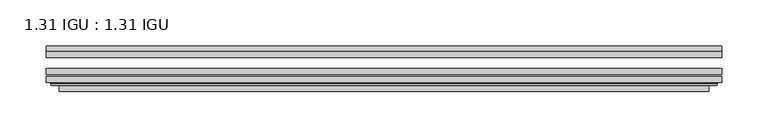
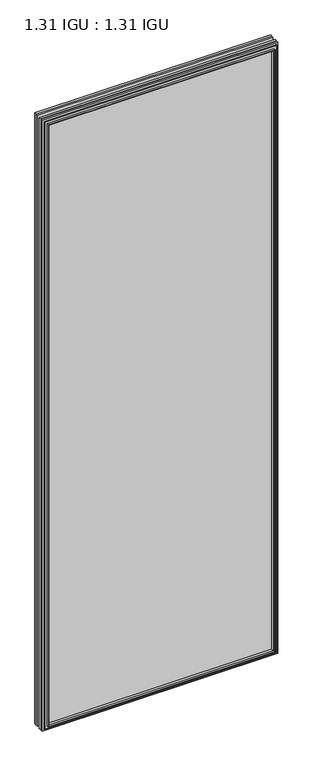
"""IFC4 building model written with IfcOpenShell, lengths in millimetres: plate geometry, 1.31 IGU : 1.31 IGU."""

from ifc_helpers import new_model, si_unit, frame, origin, place, context, project, spatial, polyline, ellipse_curve, outline, extrude, faceted_brep, source, transform, mapped, element, save
from ifc_brep_helpers import plane_surface, cylinder_surface, advanced_brep


def plate_1_31_igu_1_31_igu_cd7ae889(model_context):
    return source(origin(), model_context, "Body", "SolidModel", [
        extrude(outline(polyline([(366.7108, -66.4725937), (366.7108, -72.8225938), (-366.696625, -72.8225938), (-366.696625, -66.4725937), (366.7108, -66.4725937)])), frame((0.0, 0.0, -14.2875), z_axis=(0.0, 0.0, 1.0), x_axis=(1.0, 0.0, 0.0)), (0.0, 0.0, 1.0), 2009.7964726),
        extrude(outline(polyline([(-366.696625, -81.4585938), (-366.696625, -75.1080887), (366.7108, -75.1080887), (366.7108, -81.4585938), (-366.696625, -81.4585938)])), frame((0.0, 0.0, -14.2875), z_axis=(0.0, 0.0, 1.0), x_axis=(1.0, 0.0, 0.0)), (0.0, 0.0, 1.0), 2009.7964726),
        extrude(outline(polyline([(366.7108, -48.1337937), (366.7108, -54.4837938), (-366.696625, -54.4837938), (-366.696625, -48.1337937), (366.7108, -48.1337937)])), frame((0.0, 0.0, -14.2875), z_axis=(0.0, 0.0, 1.0), x_axis=(1.0, 0.0, 0.0)), (0.0, 0.0, 1.0), 2009.7964726),
        faceted_brep([(-352.4038152, -41.7837938, 1981.2123649), (-351.5113809, -48.1337937, 1980.3199306), (-351.5113809, -48.1337937, 0.8977441), (-352.4038152, -41.7837938, 0.0053098), (-366.709325, -48.1337937, 1995.5178747), (-366.709325, -41.7837938, 1995.5178747), (-366.709325, -41.7837938, -14.3002), (-366.709325, -48.1337937, -14.3002), (351.5113809, -48.1337937, 0.8977441), (352.4038152, -41.7837938, 0.0053098), (366.709325, -41.7837938, -14.3002), (366.709325, -48.1337937, -14.3002), (351.5113809, -48.1337937, 1980.3199306), (352.4038152, -41.7837938, 1981.2123649), (366.709325, -41.7837938, 1995.5178747), (366.709325, -48.1337937, 1995.5178747)], [[[0, 1, 2, 3]], [[4, 5, 6, 7]], [[3, 2, 8, 9]], [[7, 6, 10, 11]], [[9, 8, 12, 13]], [[11, 10, 14, 15]], [[7, 11, 15, 4], [1, 12, 8, 2]], [[13, 12, 1, 0]], [[5, 14, 10, 6], [3, 9, 13, 0]], [[15, 14, 5, 4]]]),
        advanced_brep(
        [(-360.8077599, -84.6335938, 1989.6163096), (-361.8095494, -83.4482604, 1990.6180991), (-361.8095494, -83.4482604, -9.4004244), (-360.8077599, -84.6335938, -8.3986349), (-352.4037034, -91.0948368, 1981.2122532), (-352.4037034, -84.6335938, 1981.2122532), (-352.4037034, -84.6335938, 0.0054216), (-352.4037034, -91.0948368, 0.0054216), (-351.4130467, -90.6958619, 1980.2215964), (-351.4130467, -90.6958619, 0.9960783), (-350.3810189, -85.2986307, 1979.1895686), (-350.3810189, -85.2986307, 2.0281061), (-345.4461871, -81.4585938, 1974.2547368), (-345.4461871, -81.4585938, 6.9629379), (-359.455344, -81.4585938, 1988.2638938), (-359.455344, -81.4585938, -7.046219), (361.8095494, -83.4482604, -9.4004244), (360.8077599, -84.6335938, -8.3986349), (352.4037034, -84.6335938, 0.0054216), (352.4037034, -91.0948368, 0.0054216), (351.4130467, -90.6958619, 0.9960783), (350.3810189, -85.2986307, 2.0281061), (345.4461871, -81.4585938, 6.9629379), (359.455344, -81.4585938, -7.046219), (361.8095494, -83.4482604, 1990.6180991), (360.8077599, -84.6335938, 1989.6163096), (352.4037034, -84.6335938, 1981.2122532), (352.4037034, -91.0948368, 1981.2122532), (351.4130467, -90.6958619, 1980.2215964), (350.3810189, -85.2986307, 1979.1895686), (345.4461871, -81.4585938, 1974.2547368), (359.455344, -81.4585938, 1988.2638938)],
        [
            (0, 1, ellipse_curve(frame((-360.8077599, -83.6175938, 1989.6163096), z_axis=(-0.7071067811865475, 0.0, -0.7071067811865475), x_axis=(-0.7071067811865474, 0.0, 0.7071067811865476)), 1.436841, 1.016)),
            (1, 2),
            (2, 3, ellipse_curve(frame((-360.8077599, -83.6175938, -8.3986349), z_axis=(-0.7071067811865475, 0.0, 0.7071067811865475), x_axis=(0.7071067811865474, 0.0, 0.7071067811865476)), 1.436841, 1.016)),
            (3, 0),
            (4, 5),
            (5, 6),
            (6, 7),
            (7, 4),
            (8, 4, ellipse_curve(frame((-352.0367469, -90.5766015, 1980.8452966), z_axis=(-0.7071067811865475, 0.0, -0.7071067811865475), x_axis=(-0.7071067811865474, 0.0, 0.7071067811865476)), 0.8980256, 0.635)),
            (7, 9, ellipse_curve(frame((-352.0367469, -90.5766015, 0.3723781), z_axis=(-0.7071067811865475, 0.0, 0.7071067811865475), x_axis=(0.7071067811865474, 0.0, 0.7071067811865476)), 0.8980256, 0.635)),
            (9, 8),
            (10, 8),
            (9, 11),
            (11, 10),
            (12, 10),
            (11, 13),
            (13, 12),
            (1, 14, ellipse_curve(frame((-359.455344, -83.8461938, 1988.2638938), z_axis=(-0.7071067811865475, 0.0, -0.7071067811865475), x_axis=(-0.7071067811865474, 0.0, 0.7071067811865476)), 3.3765763, 2.3876)),
            (14, 15),
            (15, 2, ellipse_curve(frame((-359.455344, -83.8461938, -7.046219), z_axis=(-0.7071067811865475, 0.0, 0.7071067811865475), x_axis=(0.7071067811865474, 0.0, 0.7071067811865476)), 3.3765763, 2.3876)),
            (2, 16),
            (16, 17, ellipse_curve(frame((360.8077599, -83.6175938, -8.3986349), z_axis=(-0.7071067811865475, 0.0, -0.7071067811865475), x_axis=(-0.7071067811865476, 0.0, 0.7071067811865474)), 1.436841, 1.016)),
            (17, 3),
            (6, 18),
            (18, 19),
            (19, 7),
            (19, 20, ellipse_curve(frame((352.0367469, -90.5766015, 0.3723781), z_axis=(-0.7071067811865475, 0.0, -0.7071067811865475), x_axis=(-0.7071067811865476, 0.0, 0.7071067811865474)), 0.8980256, 0.635)),
            (20, 9),
            (20, 21),
            (21, 11),
            (21, 22),
            (22, 13),
            (15, 23),
            (23, 16, ellipse_curve(frame((359.455344, -83.8461938, -7.046219), z_axis=(-0.7071067811865475, 0.0, -0.7071067811865475), x_axis=(-0.7071067811865476, 0.0, 0.7071067811865474)), 3.3765763, 2.3876)),
            (16, 24),
            (24, 25, ellipse_curve(frame((360.8077599, -83.6175938, 1989.6163096), z_axis=(0.7071067811865475, 0.0, -0.7071067811865475), x_axis=(-0.7071067811865474, 0.0, -0.7071067811865476)), 1.436841, 1.016)),
            (25, 17),
            (18, 26),
            (26, 27),
            (27, 19),
            (27, 28, ellipse_curve(frame((352.0367469, -90.5766015, 1980.8452966), z_axis=(0.7071067811865475, 0.0, -0.7071067811865475), x_axis=(-0.7071067811865474, 0.0, -0.7071067811865476)), 0.8980256, 0.635)),
            (28, 20),
            (28, 29),
            (29, 21),
            (29, 30),
            (30, 22),
            (23, 31),
            (31, 24, ellipse_curve(frame((359.455344, -83.8461938, 1988.2638938), z_axis=(0.7071067811865475, 0.0, -0.7071067811865475), x_axis=(-0.7071067811865474, 0.0, -0.7071067811865476)), 3.3765763, 2.3876)),
            (24, 1),
            (0, 25),
            (5, 26),
            (4, 27),
            (8, 28),
            (10, 29),
            (12, 30),
            (14, 31),
        ],
        [
            cylinder_surface(frame((-360.8077599, -83.6175938, 2012.9676747), z_axis=(0.0, 0.0, 1.0), x_axis=(-1.0, 0.0, 0.0)), 1.016),
            plane_surface(frame((-352.4037034, -84.6335938, 1981.2122532), z_axis=(-1.0, 0.0, 0.0), x_axis=(0.0, 0.0, -1.0))),
            cylinder_surface(frame((-352.0367469, -90.5766015, 2012.9676747), z_axis=(0.0, 0.0, 1.0), x_axis=(-1.0, 0.0, 0.0)), 0.635),
            plane_surface(frame((-351.4130467, -90.6958619, 1980.2215964), z_axis=(0.9822050625507717, -0.1878116479338675, 0.0), x_axis=(0.0, 0.0, -1.0))),
            plane_surface(frame((-350.3810189, -85.2986307, 1979.1895686), z_axis=(0.6141233906514726, -0.7892100234124875, 0.0), x_axis=(0.0, 0.0, -1.0))),
            cylinder_surface(frame((-359.455344, -83.8461938, 2012.9676747), z_axis=(0.0, 0.0, 1.0), x_axis=(-1.0, 0.0, 0.0)), 2.3876),
            cylinder_surface(frame((-384.159125, -83.6175938, -8.3986349), z_axis=(-1.0, 0.0, 0.0), x_axis=(0.0, 0.0, -1.0)), 1.016),
            plane_surface(frame((-352.4037034, -84.6335938, 0.0054216), z_axis=(0.0, 0.0, -1.0), x_axis=(1.0, 0.0, 0.0))),
            cylinder_surface(frame((-384.159125, -90.5766015, 0.3723781), z_axis=(-1.0, 0.0, 0.0), x_axis=(0.0, 0.0, -1.0)), 0.635),
            plane_surface(frame((-351.4130467, -90.6958619, 0.9960783), z_axis=(0.0, -0.18781164793386435, 0.9822050625507722), x_axis=(1.0, 0.0, 0.0))),
            plane_surface(frame((-350.3810189, -85.2986307, 2.0281061), z_axis=(0.0, -0.7892100234124855, 0.6141233906514751), x_axis=(1.0, 0.0, 0.0))),
            cylinder_surface(frame((-384.159125, -83.8461938, -7.046219), z_axis=(-1.0, 0.0, 0.0), x_axis=(0.0, 0.0, -1.0)), 2.3876),
            cylinder_surface(frame((360.8077599, -83.6175938, -31.75), z_axis=(0.0, 0.0, -1.0), x_axis=(1.0, 0.0, 0.0)), 1.016),
            plane_surface(frame((352.4037034, -84.6335938, 0.0054216), z_axis=(1.0, 0.0, 0.0), x_axis=(0.0, 0.0, 1.0))),
            cylinder_surface(frame((352.0367469, -90.5766015, -31.75), z_axis=(0.0, 0.0, -1.0), x_axis=(1.0, 0.0, 0.0)), 0.635),
            plane_surface(frame((351.4130467, -90.6958619, 0.9960783), z_axis=(-0.9822050625507728, -0.18781164793386118, 0.0), x_axis=(0.0, 0.0, 1.0))),
            plane_surface(frame((350.3810189, -85.2986307, 2.0281061), z_axis=(-0.6141233906514777, -0.7892100234124835, 0.0), x_axis=(0.0, 0.0, 1.0))),
            cylinder_surface(frame((359.455344, -83.8461938, -31.75), z_axis=(0.0, 0.0, -1.0), x_axis=(1.0, 0.0, 0.0)), 2.3876),
            cylinder_surface(frame((384.159125, -83.6175938, 1989.6163096), z_axis=(1.0, 0.0, 0.0), x_axis=(0.0, 0.0, 1.0)), 1.016),
            plane_surface(frame((360.8077599, -84.6335938, 1989.6163096), z_axis=(0.0, -1.0, 0.0), x_axis=(-1.0, 0.0, 0.0))),
            plane_surface(frame((352.4037034, -84.6335938, 1981.2122532), z_axis=(0.0, 0.0, 1.0), x_axis=(-1.0, 0.0, 0.0))),
            cylinder_surface(frame((384.159125, -90.5766015, 1980.8452966), z_axis=(1.0, 0.0, 0.0), x_axis=(0.0, 0.0, 1.0)), 0.635),
            plane_surface(frame((351.4130467, -90.6958619, 1980.2215964), z_axis=(0.0, -0.18781164793386435, -0.9822050625507722), x_axis=(-1.0, 0.0, 0.0))),
            plane_surface(frame((350.3810189, -85.2986307, 1979.1895686), z_axis=(0.0, -0.7892100234124855, -0.6141233906514751), x_axis=(-1.0, 0.0, 0.0))),
            plane_surface(frame((345.4461871, -81.4585938, 1974.2547368), z_axis=(0.0, 1.0, 0.0), x_axis=(-1.0, 0.0, 0.0))),
            cylinder_surface(frame((384.159125, -83.8461938, 1988.2638938), z_axis=(1.0, 0.0, 0.0), x_axis=(0.0, 0.0, 1.0)), 2.3876),
        ],
        [
            (0, [[1, 2, 3, 4]]),
            (1, [[5, 6, 7, 8]]),
            (2, [[9, -8, 10, 11]]),
            (3, [[12, -11, 13, 14]]),
            (4, [[15, -14, 16, 17]]),
            (5, [[18, 19, 20, -2]]),
            (6, [[-3, 21, 22, 23]]),
            (7, [[-7, 24, 25, 26]]),
            (8, [[-10, -26, 27, 28]]),
            (9, [[-13, -28, 29, 30]]),
            (10, [[-16, -30, 31, 32]]),
            (11, [[-20, 33, 34, -21]]),
            (12, [[-22, 35, 36, 37]]),
            (13, [[-25, 38, 39, 40]]),
            (14, [[-27, -40, 41, 42]]),
            (15, [[-29, -42, 43, 44]]),
            (16, [[-31, -44, 45, 46]]),
            (17, [[-34, 47, 48, -35]]),
            (18, [[-36, 49, -1, 50]]),
            (19, [[-23, -37, -50, -4], [51, -38, -24, -6]]),
            (20, [[-39, -51, -5, 52]]),
            (21, [[-41, -52, -9, 53]]),
            (22, [[-43, -53, -12, 54]]),
            (23, [[-45, -54, -15, 55]]),
            (24, [[56, -47, -33, -19], [-32, -46, -55, -17]]),
            (25, [[-48, -56, -18, -49]]),
        ],
    ),
    ])


if __name__ == "__main__":
    model = new_model("IFC4")
    model_context = context("Model", 3, world=origin())
    ifc_project = project(units=[si_unit("LENGTHUNIT", "METRE", prefix="MILLI")], contexts=[model_context])
    site = spatial("IfcSite", under=ifc_project)
    building = spatial("IfcBuilding", under=site)
    placement = place(None, origin())
    plate_1_31_igu_1_31_igu_shape = plate_1_31_igu_1_31_igu_cd7ae889(model_context)
    element("IfcPlate", 1, ObjectType="1.31 IGU : 1.31 IGU", at=placement, inside=building, context=model_context, shape_type="MappedRepresentation", body=[
        mapped(plate_1_31_igu_1_31_igu_shape, transform((0.0, 0.0, 0.0), x_axis=(1.0, 0.0, 0.0), y_axis=(0.0, 1.0, 0.0), z_axis=(0.0, 0.0, 1.0))),
    ])
    save(model, "model.ifc")
